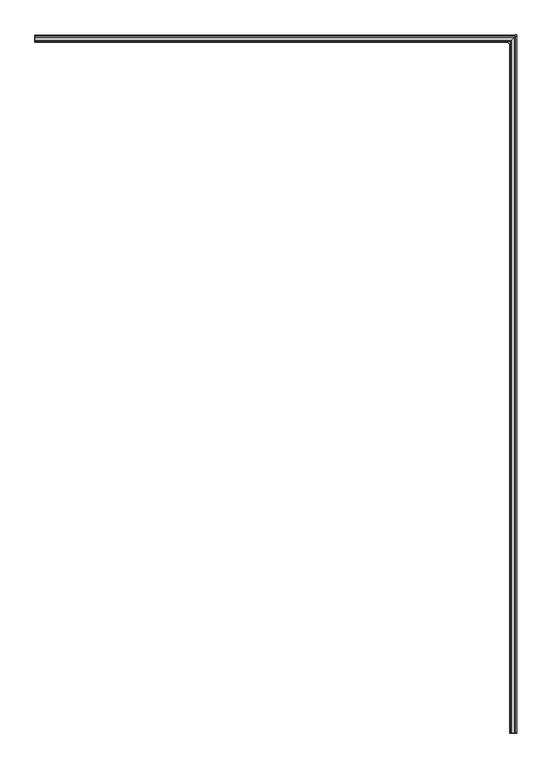
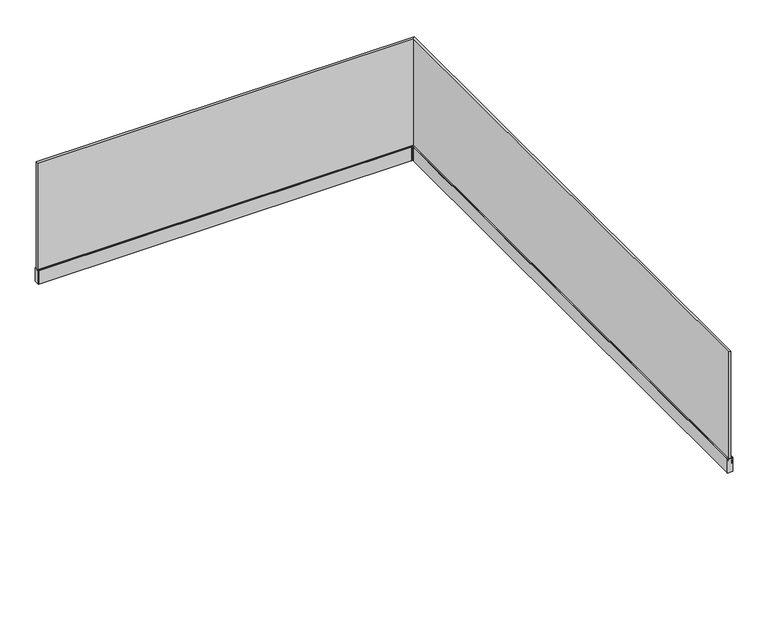
"""IFC4 building model written with IfcOpenShell, lengths in millimetres: railing geometry."""

import ifcopenshell
import ifcopenshell.guid

model = None  # the IFC model being written
_history = None  # IfcOwnerHistory: only IFC2X3 demands one
_inside = {}  # id of a spatial element -> (the spatial element, [elements in it])
_under = {}  # id of a project, library or spatial element -> (it, [spatial elements below it])
_declared = {}  # id of a project -> (the project, [libraries it declares])
_typed = {}  # id of a type object -> (the type object, [elements of that type])
_made_of = {}  # id of a material, layer set ... -> (it, [elements and type objects made of it])


def new_model(schema):
    """Start an empty IFC model of exactly this schema.

    Asked for "IFC4X3", IfcOpenShell would pick the latest addendum, in which some entities
    have other attributes; the version numbers below select the first issue.
    IFC2X3 requires an IfcOwnerHistory on every rooted entity: one is made here for all.
    """
    global model, _history
    if schema == "IFC4X3":
        model = ifcopenshell.file(schema_version=(4, 3, 0, 0))
    else:
        model = ifcopenshell.file(schema=schema)
    _inside.clear()
    _under.clear()
    _declared.clear()
    _typed.clear()
    _made_of.clear()
    _history = None
    if model.schema == "IFC2X3":
        org = make("IfcOrganization", Name="unknown")
        user = make(
            "IfcPersonAndOrganization",
            ThePerson=make("IfcPerson", FamilyName="unknown"),
            TheOrganization=org,
        )
        app = make(
            "IfcApplication",
            ApplicationDeveloper=org,
            Version="unknown",
            ApplicationFullName="unknown",
            ApplicationIdentifier="unknown",
        )
        _history = make(
            "IfcOwnerHistory",
            OwningUser=user,
            OwningApplication=app,
            ChangeAction="ADDED",
            CreationDate=0,
        )
    return model


def make(cls, **values):
    """One entity of the class cls with the attributes given. An attribute that is None is left unset."""
    return model.create_entity(
        cls, **{name: value for name, value in values.items() if value is not None}
    )


def rooted(cls, **values):
    """An entity with a GlobalId (a new one), such as an element, a storey or a relation."""
    return make(cls, GlobalId=ifcopenshell.guid.new(), OwnerHistory=_history, **values)


def si_unit(unit_type, name, prefix=None):
    """IfcSIUnit, for example si_unit("LENGTHUNIT", "METRE", prefix="MILLI")."""
    return make("IfcSIUnit", UnitType=unit_type, Prefix=prefix, Name=name)


def assignment(units):
    """IfcUnitAssignment: the units of a project."""
    return None if units is None else make("IfcUnitAssignment", Units=units)


def point(xyz):
    """IfcCartesianPoint."""
    return None if xyz is None else make("IfcCartesianPoint", Coordinates=xyz)


def direction(xyz):
    """IfcDirection."""
    return None if xyz is None else make("IfcDirection", DirectionRatios=xyz)


def frame(location, z_axis=None, x_axis=None):
    """IfcAxis2Placement3D, a coordinate frame: its origin and axes. An axis left out is left unset."""
    return make(
        "IfcAxis2Placement3D",
        Location=point(location),
        Axis=direction(z_axis),
        RefDirection=direction(x_axis),
    )


def origin():
    """The frame at (0, 0, 0) with its axes left unset."""
    return frame((0.0, 0.0, 0.0))


def place(relative_to, where):
    """IfcLocalPlacement: puts the frame where relative to a parent placement (None: the world)."""
    return make(
        "IfcLocalPlacement", PlacementRelTo=relative_to, RelativePlacement=where
    )


def context(
    kind, dimensions, precision=None, world=None, true_north=None, identifier=None
):
    """IfcGeometricRepresentationContext, for example the 3D "Model" context."""
    return make(
        "IfcGeometricRepresentationContext",
        ContextIdentifier=identifier,
        ContextType=kind,
        CoordinateSpaceDimension=dimensions,
        Precision=precision,
        WorldCoordinateSystem=world,
        TrueNorth=true_north,
    )


def project(units=None, contexts=None):
    """IfcProject with its units and contexts."""
    return rooted(
        "IfcProject",
        Name="project",
        RepresentationContexts=contexts,
        UnitsInContext=assignment(units),
    )


def spatial(cls, under=None, at=None, **own):
    """A site, building, storey or space (cls), placed at a placement, below another one or the project."""
    s = rooted(cls, ObjectPlacement=at, **own)
    if under is not None:
        _under.setdefault(under.id(), (under, []))[1].append(s)
    return s


def polyline(points):
    """IfcPolyline through the points."""
    return make("IfcPolyline", Points=[point(p) for p in points])


def outline(outer, holes=None, kind="AREA"):
    """IfcArbitraryClosedProfileDef: a profile drawn as a closed curve; with holes, ...WithVoids."""
    if holes is None:
        return make("IfcArbitraryClosedProfileDef", ProfileType=kind, OuterCurve=outer)
    return make(
        "IfcArbitraryProfileDefWithVoids",
        ProfileType=kind,
        OuterCurve=outer,
        InnerCurves=holes,
    )


def extrude(swept, where, along, depth):
    """IfcExtrudedAreaSolid: the profile swept, set in the frame where, extruded along a direction by depth."""
    return make(
        "IfcExtrudedAreaSolid",
        SweptArea=swept,
        Position=where,
        ExtrudedDirection=direction(along),
        Depth=depth,
    )


def faces_of(points, faces, orient=None, outer=None):
    """IfcFace entities. A face is a list of loops; a loop is a list of indices into points, from 0.

    orient and outer hold one flag for each loop. By default every Orientation is true, the
    first loop of a face is its IfcFaceOuterBound and the others are IfcFaceBound.
    """
    made = []
    for i, loops in enumerate(faces):
        bounds = []
        for j, loop in enumerate(loops):
            is_outer = j == 0 if outer is None else outer[i][j]
            bounds.append(
                make(
                    "IfcFaceOuterBound" if is_outer else "IfcFaceBound",
                    Bound=make("IfcPolyLoop", Polygon=[points[k] for k in loop]),
                    Orientation=True if orient is None else orient[i][j],
                )
            )
        made.append(make("IfcFace", Bounds=bounds))
    return made


def faceted_brep(points, faces, orient=None, outer=None, voids=None):
    """IfcFacetedBrep: a solid bounded by flat faces; with voids (closed shells), ...WithVoids."""
    shared = [point(p) for p in points]
    hull = make("IfcClosedShell", CfsFaces=faces_of(shared, faces, orient, outer))
    if voids is None:
        return make("IfcFacetedBrep", Outer=hull)
    return make(
        "IfcFacetedBrepWithVoids",
        Outer=hull,
        Voids=[
            make(cls, CfsFaces=faces_of(shared, fs, o, b)) for cls, fs, o, b in voids
        ],
    )


def shape(context_of_items, identifier, shape_type, items):
    """IfcShapeRepresentation: the items that make up one representation, for example the "Body"."""
    return make(
        "IfcShapeRepresentation",
        ContextOfItems=context_of_items,
        RepresentationIdentifier=identifier,
        RepresentationType=shape_type,
        Items=items,
    )


def source(mapping_origin, context_of_items, identifier, shape_type, items):
    """IfcRepresentationMap: a shape defined once, which mapped items show again and again."""
    return make(
        "IfcRepresentationMap",
        MappingOrigin=mapping_origin,
        MappedRepresentation=shape(context_of_items, identifier, shape_type, items),
    )


def transform(
    local_origin,
    x_axis=None,
    y_axis=None,
    z_axis=None,
    scale=None,
    scale2=None,
    scale3=None,
    uniform=True,
):
    """IfcCartesianTransformationOperator3D, or its non-uniform kind. x_axis, y_axis, z_axis: its Axis1, 2, 3."""
    if uniform:
        return make(
            "IfcCartesianTransformationOperator3D",
            Axis1=direction(x_axis),
            Axis2=direction(y_axis),
            LocalOrigin=point(local_origin),
            Scale=scale,
            Axis3=direction(z_axis),
        )
    return make(
        "IfcCartesianTransformationOperator3DnonUniform",
        Axis1=direction(x_axis),
        Axis2=direction(y_axis),
        LocalOrigin=point(local_origin),
        Scale=scale,
        Axis3=direction(z_axis),
        Scale2=scale2,
        Scale3=scale3,
    )


def mapped(mapping_source, mapping_target):
    """IfcMappedItem: shows the shape of a source again, moved by a transform."""
    return make(
        "IfcMappedItem", MappingSource=mapping_source, MappingTarget=mapping_target
    )


def made_of(thing, what):
    """Note that an element or type object is made of a material, layer set ...; save() writes the relation."""
    if what is not None:
        _made_of.setdefault(what.id(), (what, []))[1].append(thing)
    return thing


def element(
    cls,
    number,
    at=None,
    inside=None,
    cuts=None,
    type_object=None,
    material=None,
    context=None,
    identifier="Body",
    shape_type=None,
    held_by="IfcProductDefinitionShape",
    body=None,
    shapes=None,
    **own,
):
    """One element of the class cls, such as IfcWall. Its Tag is "e" and its number.

    at: its placement. inside: the storey or other place that contains it. cuts: it is an
    opening in that element (IfcRelVoidsElement). A single representation is given by context,
    identifier, shape_type and body (its items); several are given by shapes. held_by: the class
    of the entity that holds the representations. save() writes the other relations.
    """
    e = rooted(cls, Tag="e%d" % number, ObjectPlacement=at, **own)
    if body is not None:
        shapes = [shape(context, identifier, shape_type, body)]
    if shapes is not None:
        e.Representation = make(held_by, Representations=shapes)
    if inside is not None:
        _inside.setdefault(inside.id(), (inside, []))[1].append(e)
    if cuts is not None:
        rooted(
            "IfcRelVoidsElement", RelatingBuildingElement=cuts, RelatedOpeningElement=e
        )
    if type_object is not None:
        _typed.setdefault(type_object.id(), (type_object, []))[1].append(e)
    return made_of(e, material)


def aggregate(whole, parts):
    """IfcRelAggregates: a whole, such as a stair, and the parts it consists of."""
    return rooted("IfcRelAggregates", RelatingObject=whole, RelatedObjects=parts)


def save(model, path):
    """Write the relations noted so far, then the file.

    IfcRelAggregates (storeys below a building ...), IfcRelContainedInSpatialStructure (elements
    in a storey), IfcRelDefinesByType, IfcRelAssociatesMaterial and IfcRelDeclares: one each for
    every whole, place, type object, material and project.
    """
    for whole, parts in _under.values():
        aggregate(whole, parts)
    for where, things in _inside.values():
        rooted(
            "IfcRelContainedInSpatialStructure",
            RelatedElements=things,
            RelatingStructure=where,
        )
    for kind, things in _typed.values():
        rooted("IfcRelDefinesByType", RelatedObjects=things, RelatingType=kind)
    for what, things in _made_of.values():
        rooted("IfcRelAssociatesMaterial", RelatedObjects=things, RelatingMaterial=what)
    for by, libraries in _declared.values():
        rooted("IfcRelDeclares", RelatingContext=by, RelatedDefinitions=libraries)
    model.write(path)


def railing_048bc244(model_context):
    return source(origin(), model_context, "Body", "SolidModel", [
        faceted_brep([(-10243.7924845, -67763.3362173, 1118.0), (-10261.3124845, -67763.3362173, 1118.0), (-10261.3124845, -67763.3362173, 18.0), (-10243.7924845, -67763.3362173, 18.0), (-10261.3124845, -62957.0962173, 1118.0), (-10261.3124845, -62957.0962173, 18.0), (-10243.7924845, -62939.5762173, 1118.0), (-13567.5524845, -62939.5762173, 1118.0), (-13567.5524845, -62939.5762173, 18.0), (-13567.5524845, -62957.0962173, 18.0), (-13567.5524845, -62957.0962173, 1118.0), (-10243.7924845, -62939.5762173, 18.0)], [[[0, 1, 2, 3]], [[4, 5, 2, 1]], [[6, 4, 1, 0]], [[7, 8, 9, 10]], [[10, 9, 5, 4]], [[7, 10, 4, 6]], [[9, 8, 11, 5]], [[8, 7, 6, 11]], [[5, 11, 3, 2]], [[11, 6, 0, 3]]]),
        faceted_brep([(-10271.9524845, -67763.3362173, 125.0), (-10275.5524845, -67763.3362173, 125.0), (-10275.5524845, -67763.3362173, 0.0), (-10264.5524845, -67763.3362173, 0.0), (-10263.5524845, -67763.3362173, 1.0), (-10239.5524845, -67763.3362173, 1.0), (-10238.5524845, -67763.3362173, 0.0), (-10227.5524845, -67763.3362173, 0.0), (-10227.5524845, -67763.3362173, 125.0), (-10233.1524845, -67763.3362173, 125.0), (-10233.1524845, -67763.3362173, 119.7), (-10235.1524845, -67763.3362173, 119.7), (-10235.1524845, -67763.3362173, 122.45), (-10236.5524845, -67763.3362173, 122.45), (-10236.5524845, -67763.3362173, 113.2486641), (-10234.4524845, -67763.3362173, 113.2486641), (-10234.4524845, -67763.3362173, 109.9986641), (-10239.3652356, -67763.3362173, 109.9986641), (-10239.3652356, -67763.3362173, 108.0), (-10237.3652356, -67763.3362173, 108.0), (-10240.5524845, -67763.3362173, 35.0), (-10240.5524845, -67763.3362173, 15.0), (-10264.5524845, -67763.3362173, 15.0), (-10264.5524845, -67763.3362173, 35.0), (-10267.8269968, -67763.3362173, 109.9986641), (-10270.6524845, -67763.3362173, 109.9986641), (-10270.6524845, -67763.3362173, 113.2486641), (-10268.5524845, -67763.3362173, 113.2486641), (-10268.5524845, -67763.3362173, 122.45), (-10269.9524845, -67763.3362173, 122.45), (-10269.9524845, -67763.3362173, 119.7), (-10271.9524845, -67763.3362173, 119.7), (-10275.5524845, -62971.3362173, 125.0), (-10275.5524845, -62971.3362173, 0.0), (-10271.9524845, -62967.7362173, 125.0), (-13567.5524845, -62967.7362173, 125.0), (-13567.5524845, -62967.7362173, 119.7), (-13567.5524845, -62965.7362173, 119.7), (-13567.5524845, -62965.7362173, 122.45), (-13567.5524845, -62964.3362173, 122.45), (-13567.5524845, -62964.3362173, 113.2486641), (-13567.5524845, -62966.4362173, 113.2486641), (-13567.5524845, -62966.4362173, 109.9986641), (-13567.5524845, -62963.6107297, 109.9986641), (-13567.5524845, -62960.3362173, 35.0), (-13567.5524845, -62960.3362173, 15.0), (-13567.5524845, -62936.3362173, 15.0), (-13567.5524845, -62936.3362173, 35.0), (-13567.5524845, -62933.1489685, 108.0), (-13567.5524845, -62935.1489685, 108.0), (-13567.5524845, -62935.1489685, 109.9986641), (-13567.5524845, -62930.2362173, 109.9986641), (-13567.5524845, -62930.2362173, 113.2486641), (-13567.5524845, -62932.3362173, 113.2486641), (-13567.5524845, -62932.3362173, 122.45), (-13567.5524845, -62930.9362173, 122.45), (-13567.5524845, -62930.9362173, 119.7), (-13567.5524845, -62928.9362173, 119.7), (-13567.5524845, -62928.9362173, 125.0), (-13567.5524845, -62923.3362173, 125.0), (-13567.5524845, -62923.3362173, 0.0), (-13567.5524845, -62934.3362173, 0.0), (-13567.5524845, -62935.3362173, 1.0), (-13567.5524845, -62959.3362173, 1.0), (-13567.5524845, -62960.3362173, 0.0), (-13567.5524845, -62971.3362173, 0.0), (-13567.5524845, -62971.3362173, 125.0), (-10264.5524845, -62960.3362173, 0.0), (-10263.5524845, -62959.3362173, 1.0), (-10239.5524845, -62935.3362173, 1.0), (-10238.5524845, -62934.3362173, 0.0), (-10227.5524845, -62923.3362173, 0.0), (-10227.5524845, -62923.3362173, 125.0), (-10233.1524845, -62928.9362173, 125.0), (-10233.1524845, -62928.9362173, 119.7), (-10235.1524845, -62930.9362173, 119.7), (-10235.1524845, -62930.9362173, 122.45), (-10236.5524845, -62932.3362173, 122.45), (-10236.5524845, -62932.3362173, 113.2486641), (-10234.4524845, -62930.2362173, 113.2486641), (-10234.4524845, -62930.2362173, 109.9986641), (-10239.3652356, -62935.1489685, 109.9986641), (-10239.3652356, -62935.1489685, 108.0), (-10237.3652356, -62933.1489685, 108.0), (-10240.5524845, -62936.3362173, 35.0), (-10240.5524845, -62936.3362173, 15.0), (-10264.5524845, -62960.3362173, 15.0), (-10264.5524845, -62960.3362173, 35.0), (-10267.8269968, -62963.6107297, 109.9986641), (-10270.6524845, -62966.4362173, 109.9986641), (-10270.6524845, -62966.4362173, 113.2486641), (-10268.5524845, -62964.3362173, 113.2486641), (-10268.5524845, -62964.3362173, 122.45), (-10269.9524845, -62965.7362173, 122.45), (-10269.9524845, -62965.7362173, 119.7), (-10271.9524845, -62967.7362173, 119.7)], [[[0, 1, 2, 3, 4, 5, 6, 7, 8, 9, 10, 11, 12, 13, 14, 15, 16, 17, 18, 19, 20, 21, 22, 23, 24, 25, 26, 27, 28, 29, 30, 31]], [[32, 33, 2, 1]], [[34, 32, 1, 0]], [[35, 36, 37, 38, 39, 40, 41, 42, 43, 44, 45, 46, 47, 48, 49, 50, 51, 52, 53, 54, 55, 56, 57, 58, 59, 60, 61, 62, 63, 64, 65, 66]], [[66, 65, 33, 32]], [[35, 66, 32, 34]], [[65, 64, 67, 33]], [[64, 63, 68, 67]], [[63, 62, 69, 68]], [[62, 61, 70, 69]], [[61, 60, 71, 70]], [[60, 59, 72, 71]], [[59, 58, 73, 72]], [[58, 57, 74, 73]], [[57, 56, 75, 74]], [[56, 55, 76, 75]], [[55, 54, 77, 76]], [[54, 53, 78, 77]], [[53, 52, 79, 78]], [[52, 51, 80, 79]], [[51, 50, 81, 80]], [[50, 49, 82, 81]], [[49, 48, 83, 82]], [[48, 47, 84, 83]], [[47, 46, 85, 84]], [[46, 45, 86, 85]], [[45, 44, 87, 86]], [[44, 43, 88, 87]], [[43, 42, 89, 88]], [[42, 41, 90, 89]], [[41, 40, 91, 90]], [[40, 39, 92, 91]], [[39, 38, 93, 92]], [[38, 37, 94, 93]], [[37, 36, 95, 94]], [[36, 35, 34, 95]], [[33, 67, 3, 2]], [[67, 68, 4, 3]], [[68, 69, 5, 4]], [[69, 70, 6, 5]], [[70, 71, 7, 6]], [[71, 72, 8, 7]], [[72, 73, 9, 8]], [[73, 74, 10, 9]], [[74, 75, 11, 10]], [[75, 76, 12, 11]], [[76, 77, 13, 12]], [[77, 78, 14, 13]], [[78, 79, 15, 14]], [[79, 80, 16, 15]], [[80, 81, 17, 16]], [[81, 82, 18, 17]], [[82, 83, 19, 18]], [[83, 84, 20, 19]], [[84, 85, 21, 20]], [[85, 86, 22, 21]], [[86, 87, 23, 22]], [[87, 88, 24, 23]], [[88, 89, 25, 24]], [[89, 90, 26, 25]], [[90, 91, 27, 26]], [[91, 92, 28, 27]], [[92, 93, 29, 28]], [[93, 94, 30, 29]], [[94, 95, 31, 30]], [[95, 34, 0, 31]]]),
        faceted_brep([(-10233.3524845, -67763.3362173, 125.3594354), (-10243.5217324, -67763.3362173, 126.6803147), (-10243.5217324, -67763.3362173, 118.0), (-10236.7524845, -67763.3362173, 118.0), (-10236.7524845, -67763.3362173, 122.65), (-10234.9524845, -67763.3362173, 122.65), (-10234.9524845, -67763.3362173, 119.9), (-10233.3524845, -67763.3362173, 119.9), (-13567.5524845, -62929.1362173, 125.3594354), (-13567.5524845, -62929.1362173, 119.9), (-13567.5524845, -62930.7362173, 119.9), (-13567.5524845, -62930.7362173, 122.65), (-13567.5524845, -62932.5362173, 122.65), (-13567.5524845, -62932.5362173, 118.0), (-13567.5524845, -62939.3054652, 118.0), (-13567.5524845, -62939.3054652, 126.6803147), (-10243.5217324, -62939.3054652, 126.6803147), (-10233.3524845, -62929.1362173, 125.3594354), (-10243.5217324, -62939.3054652, 118.0), (-10236.7524845, -62932.5362173, 118.0), (-10236.7524845, -62932.5362173, 122.65), (-10234.9524845, -62930.7362173, 122.65), (-10234.9524845, -62930.7362173, 119.9), (-10233.3524845, -62929.1362173, 119.9)], [[[0, 1, 2, 3, 4, 5, 6, 7]], [[8, 9, 10, 11, 12, 13, 14, 15]], [[8, 15, 16, 17]], [[15, 14, 18, 16]], [[14, 13, 19, 18]], [[13, 12, 20, 19]], [[12, 11, 21, 20]], [[11, 10, 22, 21]], [[10, 9, 23, 22]], [[9, 8, 17, 23]], [[17, 16, 1, 0]], [[16, 18, 2, 1]], [[18, 19, 3, 2]], [[19, 20, 4, 3]], [[20, 21, 5, 4]], [[21, 22, 6, 5]], [[22, 23, 7, 6]], [[23, 17, 0, 7]]]),
        faceted_brep([(-10271.744672, -67763.3362173, 125.3594354), (-10271.744672, -67763.3362173, 119.9), (-10270.144672, -67763.3362173, 119.9), (-10270.144672, -67763.3362173, 122.65), (-10268.344672, -67763.3362173, 122.65), (-10268.344672, -67763.3362173, 118.0), (-10261.575424, -67763.3362173, 118.0), (-10261.575424, -67763.3362173, 126.6803147), (-13567.5524845, -62967.5284048, 125.3594354), (-13567.5524845, -62957.3591569, 126.6803147), (-13567.5524845, -62957.3591569, 118.0), (-13567.5524845, -62964.1284048, 118.0), (-13567.5524845, -62964.1284048, 122.65), (-13567.5524845, -62965.9284048, 122.65), (-13567.5524845, -62965.9284048, 119.9), (-13567.5524845, -62967.5284048, 119.9), (-10271.744672, -62967.5284048, 119.9), (-10271.744672, -62967.5284048, 125.3594354), (-10270.144672, -62965.9284048, 119.9), (-10270.144672, -62965.9284048, 122.65), (-10268.344672, -62964.1284048, 122.65), (-10268.344672, -62964.1284048, 118.0), (-10261.575424, -62957.3591569, 118.0), (-10261.575424, -62957.3591569, 126.6803147)], [[[0, 1, 2, 3, 4, 5, 6, 7]], [[8, 9, 10, 11, 12, 13, 14, 15]], [[8, 15, 16, 17]], [[15, 14, 18, 16]], [[14, 13, 19, 18]], [[13, 12, 20, 19]], [[12, 11, 21, 20]], [[11, 10, 22, 21]], [[10, 9, 23, 22]], [[9, 8, 17, 23]], [[17, 16, 1, 0]], [[16, 18, 2, 1]], [[18, 19, 3, 2]], [[19, 20, 4, 3]], [[20, 21, 5, 4]], [[21, 22, 6, 5]], [[22, 23, 7, 6]], [[23, 17, 0, 7]]]),
        faceted_brep([(-10279.3874845, -62975.1712173, 127.5), (-10279.3874845, -62982.7812173, 127.5), (-10273.2874845, -62982.7812173, 127.5), (-10273.2874845, -62969.0712173, 127.5), (-10286.9974845, -62969.0712173, 127.5), (-10286.9974845, -62975.1712173, 127.5), (-10225.7174845, -62921.5012173, 127.5), (-10235.9074845, -62921.5012173, 127.5), (-10235.9074845, -62927.6012173, 127.5), (-10231.8174845, -62927.6012173, 127.5), (-10231.8174845, -62931.6912173, 127.5), (-10225.7174845, -62931.6912173, 127.5), (-10279.3874845, -62975.1712173, 2.8), (-10286.9974845, -62975.1712173, 2.8), (-10286.9974845, -62972.6712173, 2.8), (-10278.6552514, -62972.6712173, 2.8), (-10229.9852514, -62924.0012173, 2.8), (-10235.9074845, -62924.0012173, 2.8), (-10235.9074845, -62921.5012173, 2.8), (-10225.7174845, -62921.5012173, 2.8), (-10225.7174845, -62931.6912173, 2.8), (-10228.2174845, -62931.6912173, 2.8), (-10228.2174845, -62925.7689842, 2.8), (-10276.8874845, -62974.4389842, 2.8), (-10276.8874845, -62982.7812173, 2.8), (-10279.3874845, -62982.7812173, 2.8), (-10279.3874845, -62975.1712173, 125.0), (-10286.9974845, -62969.0712173, 125.0), (-10286.9974845, -62972.6712173, 125.0), (-10276.8874845, -62972.6712173, 125.0), (-10276.8874845, -62972.6712173, 16.5), (-10278.6552514, -62972.6712173, 16.5), (-10276.8874845, -62974.4389842, 16.5), (-10276.8874845, -62982.7812173, 125.0), (-10273.2874845, -62982.7812173, 125.0), (-10225.7174845, -62921.5012173, 125.0), (-10231.8174845, -62931.6912173, 125.0), (-10228.2174845, -62931.6912173, 125.0), (-10228.2174845, -62924.0012173, 125.0), (-10228.2174845, -62924.0012173, 16.5), (-10228.2174845, -62925.7689842, 16.5), (-10229.9852514, -62924.0012173, 16.5), (-10235.9074845, -62924.0012173, 125.0), (-10235.9074845, -62927.6012173, 125.0), (-10273.2874845, -62969.0712173, 125.0), (-10231.8174845, -62927.6012173, 125.0)], [[[0, 1, 2, 3, 4, 5]], [[6, 7, 8, 9, 10, 11]], [[12, 13, 14, 15, 16, 17, 18, 19, 20, 21, 22, 23, 24, 25]], [[5, 13, 12, 26, 0]], [[13, 5, 4, 27, 28, 14]], [[28, 29, 30, 31, 15, 14]], [[24, 23, 32, 30, 29, 33]], [[24, 33, 34, 2, 1, 25]], [[0, 26, 12, 25, 1]], [[11, 20, 19, 35, 6]], [[20, 11, 10, 36, 37, 21]], [[37, 38, 39, 40, 22, 21]], [[17, 16, 41, 39, 38, 42]], [[17, 42, 43, 8, 7, 18]], [[6, 35, 19, 18, 7]], [[44, 34, 33, 29, 28, 27]], [[43, 42, 38, 37, 36, 45]], [[2, 34, 44, 3]], [[3, 44, 27, 4]], [[9, 45, 36, 10]], [[8, 43, 45, 9]], [[40, 39, 41, 31, 30, 32]], [[32, 23, 22, 40]], [[41, 16, 15, 31]]]),
        extrude(outline(polyline([(-10228.5524845, -67766.3362173), (-10276.5524845, -67766.3362173), (-10276.5524845, -67763.3362173), (-10228.5524845, -67763.3362173), (-10228.5524845, -67766.3362173)])), frame((0.0, 0.0, -1.0), z_axis=(0.0, 0.0, 1.0), x_axis=(1.0, 0.0, 0.0)), (0.0, 0.0, 1.0), 125.0),
        extrude(outline(polyline([(-13567.5524845, -62924.3362173), (-13567.5524845, -62972.3362173), (-13570.5524845, -62972.3362173), (-13570.5524845, -62924.3362173), (-13567.5524845, -62924.3362173)])), frame((0.0, 0.0, -1.0), z_axis=(0.0, 0.0, 1.0), x_axis=(1.0, 0.0, 0.0)), (0.0, 0.0, 1.0), 125.0),
    ])


if __name__ == "__main__":
    model = new_model("IFC4")
    model_context = context("Model", 3, world=origin())
    ifc_project = project(units=[si_unit("LENGTHUNIT", "METRE", prefix="MILLI")], contexts=[model_context])
    site = spatial("IfcSite", under=ifc_project)
    building = spatial("IfcBuilding", under=site)
    placement = place(None, origin())
    railing_shape = railing_048bc244(model_context)
    element("IfcRailing", 1, at=placement, inside=building, context=model_context, shape_type="MappedRepresentation", body=[
        mapped(railing_shape, transform((0.0, 0.0, 0.0), x_axis=(1.0, 0.0, 0.0), y_axis=(0.0, 1.0, 0.0), z_axis=(0.0, 0.0, 1.0))),
    ])
    save(model, "model.ifc")
